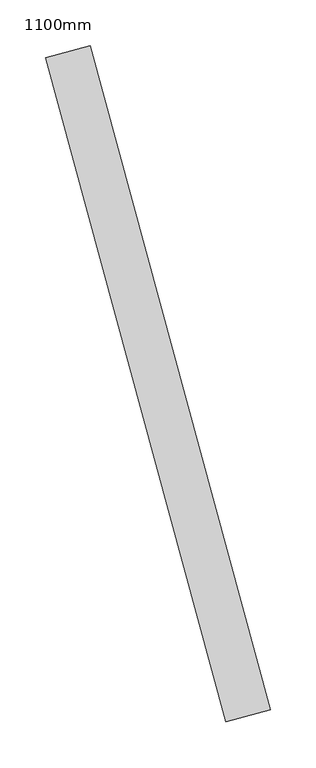
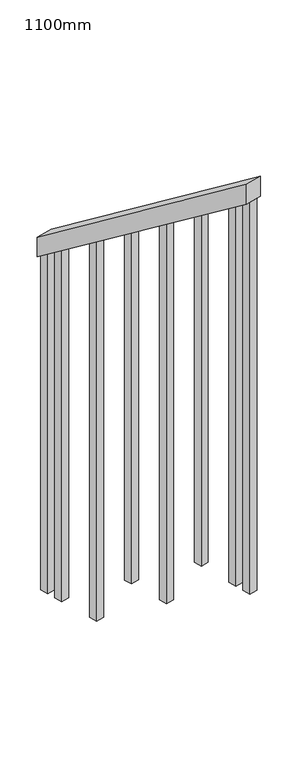
"""IFC4 building model written with IfcOpenShell, lengths in millimetres: railing geometry, 1100mm."""

from ifc_helpers import new_model, si_unit, frame, origin, place, context, project, spatial, polyline, outline, extrude, source, transform, mapped, element, save


def railing_1100mm_a67359e9(model_context):
    return source(origin(), model_context, "Body", "SweptSolid", [
        extrude(outline(polyline([(35.5555555, -50.0), (0.0, 0.0), (920.2958462, 0.0), (955.8514017, -49.9999999), (35.5555555, -50.0)])), frame((180228.570886, 37949.578554, 1216.4247214), z_axis=(0.964989412360187, 0.2622888370341775, 0.0), x_axis=(0.2137536843159476, -0.7864232597554016, 0.5795237863600133)), (0.0, 0.0, 1.0), 50.0),
        extrude(outline(polyline([(1271.980277, 25.0), (1271.980277, 0.0), (91.1111112, 0.0), (108.8888889, 25.0), (1271.980277, 25.0)])), frame((180424.2354396, 37277.3645758, 1805.3136103), z_axis=(0.964989412360187, 0.26228883703417755, 0.0), x_axis=(0.0, 0.0, -1.0)), (0.0, 0.0, 1.0), 25.0),
        extrude(outline(polyline([(1183.0913881, 25.0), (1183.0913881, 0.0), (91.1111111, 0.0), (108.8888889, 25.0), (1183.0913881, 25.0)])), frame((180391.4493349, 37397.9882523, 1716.4247214), z_axis=(0.964989412360187, 0.26228883703417755, 0.0), x_axis=(0.0, 0.0, -1.0)), (0.0, 0.0, 1.0), 25.0),
        extrude(outline(polyline([(1271.9802769, 25.0), (1271.9802769, 0.0), (91.1111111, 0.0), (108.8888889, 25.0), (1271.9802769, 25.0)])), frame((180358.6632303, 37518.6119289, 1627.5358325), z_axis=(0.964989412360187, 0.26228883703417755, 0.0), x_axis=(0.0, 0.0, -1.0)), (0.0, 0.0, 1.0), 25.0),
        extrude(outline(polyline([(1183.091388, 25.0), (1183.091388, 0.0), (91.1111111, 0.0), (108.8888889, 25.0), (1183.091388, 25.0)])), frame((180325.8771257, 37639.2356054, 1538.6469436), z_axis=(0.964989412360187, 0.26228883703417755, 0.0), x_axis=(0.0, 0.0, -1.0)), (0.0, 0.0, 1.0), 25.0),
        extrude(outline(polyline([(1271.9802769, 25.0), (1271.9802769, 0.0), (91.1111111, 0.0), (108.8888889, 25.0), (1271.9802769, 25.0)])), frame((180293.0910211, 37759.859282, 1449.7580547), z_axis=(0.964989412360187, 0.26228883703417755, 0.0), x_axis=(0.0, 0.0, -1.0)), (0.0, 0.0, 1.0), 25.0),
        extrude(outline(polyline([(1183.091388, 25.0), (1183.091388, 0.0), (91.1111111, 0.0), (108.8888889, 25.0), (1183.091388, 25.0)])), frame((180260.3049164, 37880.4829585, 1360.8691658), z_axis=(0.964989412360187, 0.26228883703417755, 0.0), x_axis=(0.0, 0.0, -1.0)), (0.0, 0.0, 1.0), 25.0),
        extrude(outline(polyline([(1307.5358325, 25.0), (1307.5358325, 0.0), (91.1111111, 0.0), (108.8888889, 25.0), (1307.5358325, 25.0)])), frame((180437.3498814, 37229.1151052, 1840.8691658), z_axis=(0.964989412360187, 0.26228883703417755, 0.0), x_axis=(0.0, 0.0, -1.0)), (0.0, 0.0, 1.0), 25.0),
        extrude(outline(polyline([(1147.5358325, 25.0), (1147.5358325, 0.0), (91.1111112, 0.0), (108.8888889, 25.0), (1147.5358325, 25.0)])), frame((180247.1904746, 37928.7324291, 1325.3136103), z_axis=(0.964989412360187, 0.26228883703417755, 0.0), x_axis=(0.0, 0.0, -1.0)), (0.0, 0.0, 1.0), 25.0),
    ])


if __name__ == "__main__":
    model = new_model("IFC4")
    model_context = context("Model", 3, world=origin())
    ifc_project = project(units=[si_unit("LENGTHUNIT", "METRE", prefix="MILLI")], contexts=[model_context])
    site = spatial("IfcSite", under=ifc_project)
    building = spatial("IfcBuilding", under=site)
    placement = place(None, origin())
    railing_1100mm_shape = railing_1100mm_a67359e9(model_context)
    element("IfcRailing", 1, ObjectType="1100mm", at=placement, inside=building, context=model_context, shape_type="MappedRepresentation", body=[
        mapped(railing_1100mm_shape, transform((0.0, 0.0, 0.0), x_axis=(1.0, 0.0, 0.0), y_axis=(0.0, 1.0, 0.0), z_axis=(0.0, 0.0, 1.0))),
    ])
    save(model, "model.ifc")
